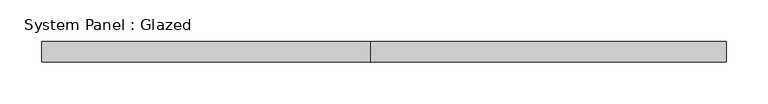
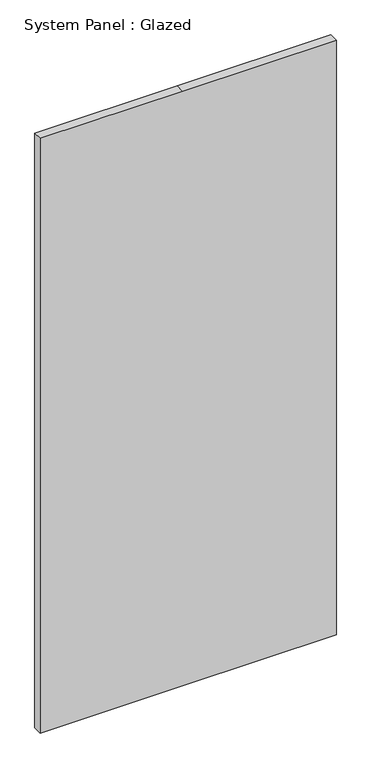
"""IFC4 building model written with IfcOpenShell, lengths in millimetres: plate geometry, System Panel : Glazed."""

from ifc_helpers import new_model, si_unit, frame, origin, place, context, project, spatial, polyline, outline, extrude, source, transform, mapped, element, save


def system_panel_glazed_d8c5468a(model_context):
    return source(origin(), model_context, "Body", "SweptSolid", [
        extrude(outline(polyline([(0.0, -412.5), (0.0, -15.6891846), (0.0, 412.5), (1750.0, 412.5), (1750.0, -15.6891846), (1750.0, -412.5), (0.0, -412.5)])), frame((0.0, -49.5, 0.0), z_axis=(0.0, 1.0, 0.0), x_axis=(0.0, 0.0, 1.0)), (0.0, 0.0, 1.0), 25.0),
    ])


if __name__ == "__main__":
    model = new_model("IFC4")
    model_context = context("Model", 3, world=origin())
    ifc_project = project(units=[si_unit("LENGTHUNIT", "METRE", prefix="MILLI")], contexts=[model_context])
    site = spatial("IfcSite", under=ifc_project)
    building = spatial("IfcBuilding", under=site)
    placement = place(None, origin())
    system_panel_glazed_shape = system_panel_glazed_d8c5468a(model_context)
    element("IfcPlate", 1, ObjectType="System Panel : Glazed", at=placement, inside=building, context=model_context, shape_type="MappedRepresentation", body=[
        mapped(system_panel_glazed_shape, transform((0.0, 0.0, 0.0), x_axis=(1.0, 0.0, 0.0), y_axis=(0.0, 1.0, 0.0), z_axis=(0.0, 0.0, 1.0))),
    ])
    save(model, "model.ifc")
